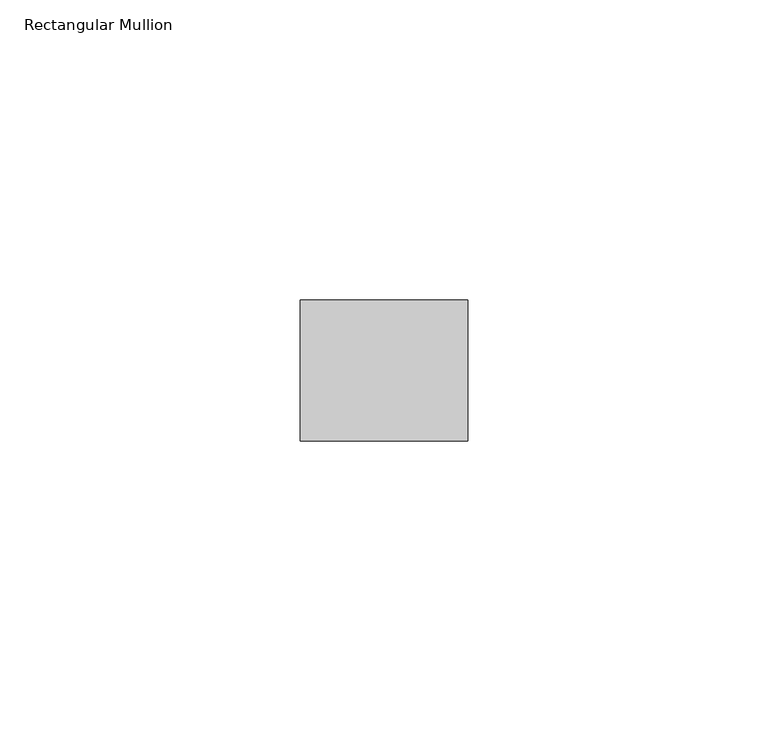
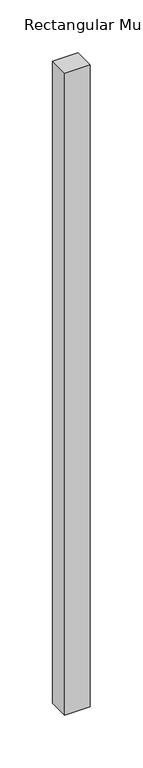
"""IFC4 building model written with IfcOpenShell, lengths in millimetres: member geometry, Rectangular Mullion."""

from ifc_helpers import new_model, si_unit, frame, origin, place, context, project, spatial, polyline, outline, extrude, source, transform, mapped, element, save


def rectangular_mullion_2717d9aa(model_context):
    return source(origin(), model_context, "Body", "SweptSolid", [
        extrude(outline(polyline([(0.0, -11.7474999), (-27.94, -11.7474999), (-27.94, 11.7474999), (0.0, 11.7474999), (0.0, -11.7474999)])), frame((0.0, 0.0, -745.0096843), z_axis=(0.0, 0.0, 1.0), x_axis=(1.0, 0.0, 0.0)), (0.0, 0.0, 1.0), 745.0096843),
    ])


if __name__ == "__main__":
    model = new_model("IFC4")
    model_context = context("Model", 3, world=origin())
    ifc_project = project(units=[si_unit("LENGTHUNIT", "METRE", prefix="MILLI")], contexts=[model_context])
    site = spatial("IfcSite", under=ifc_project)
    building = spatial("IfcBuilding", under=site)
    placement = place(None, origin())
    rectangular_mullion_shape = rectangular_mullion_2717d9aa(model_context)
    element("IfcMember", 1, ObjectType="Rectangular Mullion", at=placement, inside=building, context=model_context, shape_type="MappedRepresentation", body=[
        mapped(rectangular_mullion_shape, transform((0.0, 0.0, 0.0), x_axis=(1.0, 0.0, 0.0), y_axis=(0.0, 1.0, 0.0), z_axis=(0.0, 0.0, 1.0))),
    ])
    save(model, "model.ifc")
